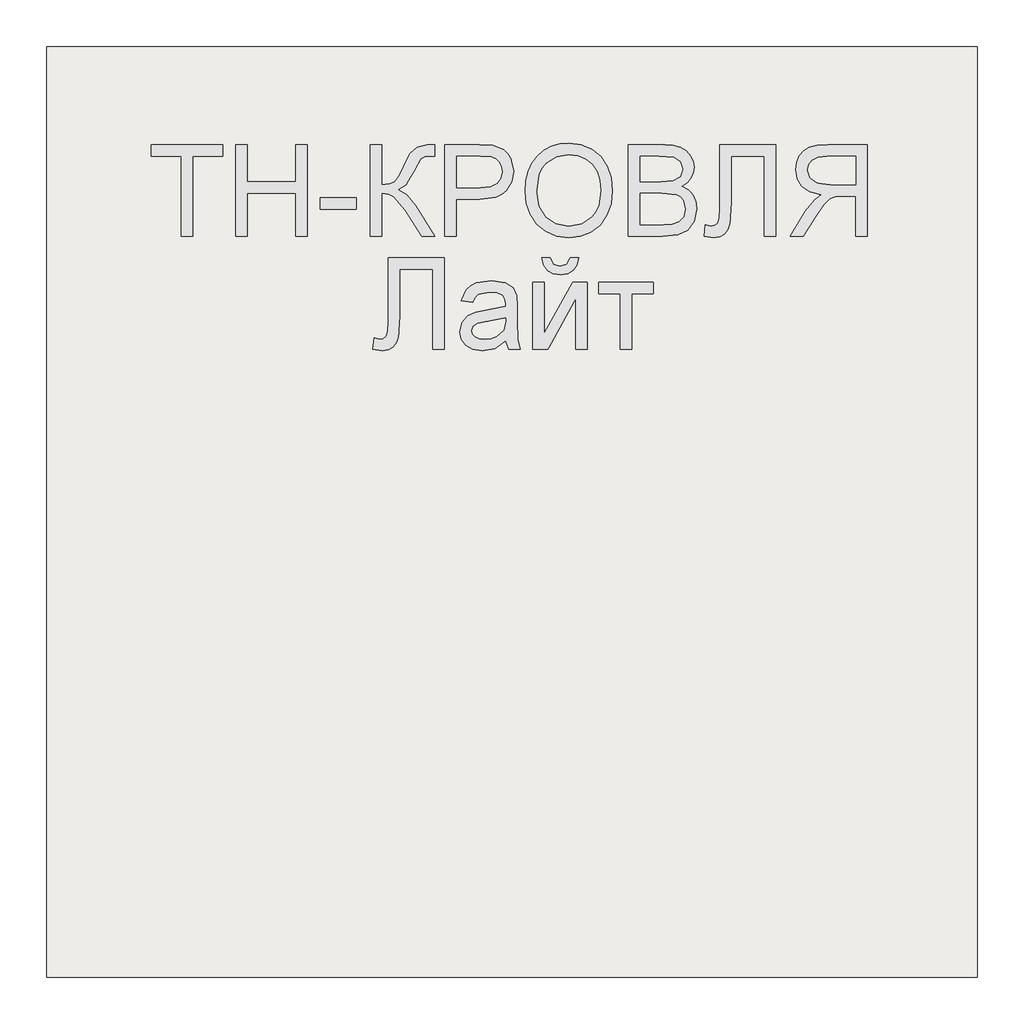
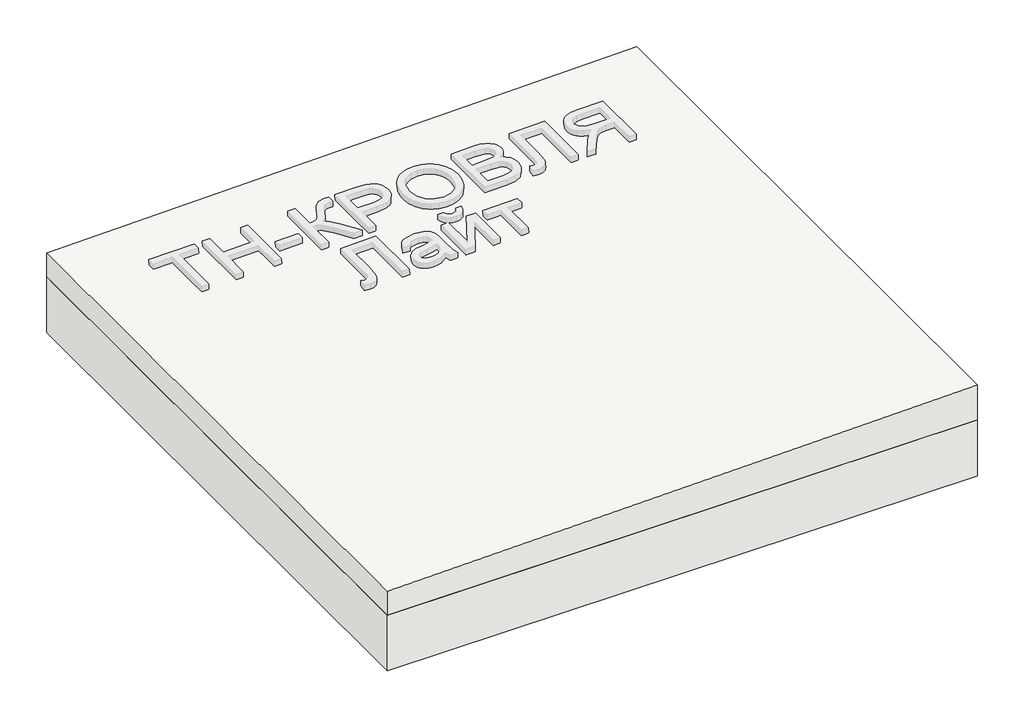
# One storey, part 1 of 3: 1 roof, 1 slab.
"""IFC4 building model written with IfcOpenShell, lengths in millimetres."""

from ifc_helpers import new_model, si_unit, frame, origin, place, context, project, spatial, polyline, outline, extrude, element, save

model = new_model("IFC4")

# Units and contexts
model_context = context("Model", 3, world=origin())
ifc_project = project(units=[si_unit("LENGTHUNIT", "METRE", prefix="MILLI")], contexts=[model_context])

# Site, building, storey
site = spatial("IfcSite", under=ifc_project)
building = spatial("IfcBuilding", under=site)
storey = spatial("IfcBuildingStorey", under=building, Elevation=0.0)

# Roof
placement = place(None, origin())
element("IfcRoof", 1, at=placement, inside=storey, context=model_context, shape_type="SweptSolid", body=[
    extrude(outline(polyline([(86.0, 36706.3955952), (0.0, 36706.3955952), (0.0, 38706.3955952), (126.0, 38706.3955952), (86.0, 36706.3955952)])), frame((0.0, -6302.6148653, 0.0), z_axis=(0.0, 1.0, 0.0), x_axis=(0.0, 0.0, 1.0)), (0.0, 0.0, 1.0), 2000.0),
])

# Slab
element("IfcSlab", 2, at=placement, inside=storey, context=model_context, shape_type="SweptSolid", body=[
    extrude(outline(polyline([(38706.3955952, -6302.6148653), (36706.3955952, -6302.6148653), (36706.3955952, -4302.6148653), (38706.3955952, -4302.6148653), (38706.3955952, -6302.6148653)])), frame((0.0, 0.0, -200.0), z_axis=(0.0, 0.0, 1.0), x_axis=(1.0, 0.0, 0.0)), (0.0, 0.0, 1.0), 200.0),
])

save(model, "model.ifc")
